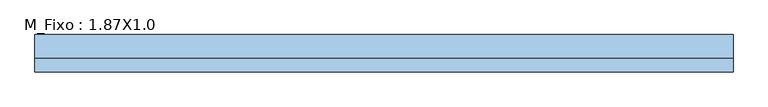
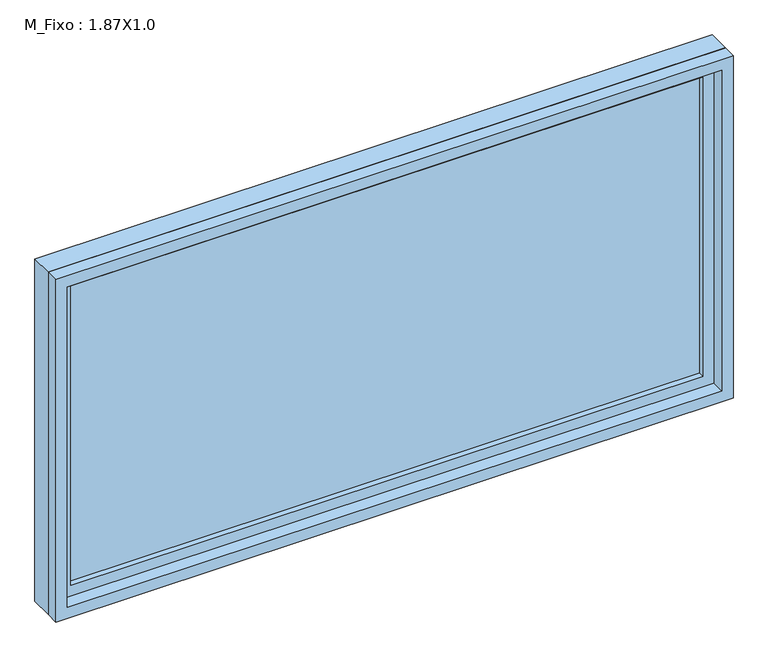
"""IFC4 building model written with IfcOpenShell, lengths in millimetres: window geometry, M_Fixo : 1.87X1.0."""

from ifc_helpers import new_model, si_unit, frame, origin, place, context, project, spatial, polyline, outline, extrude, source, transform, mapped, element, save


def m_fixo_1_87x1_0_b9a0c7d4(model_context):
    return source(origin(), model_context, "Body", "SweptSolid", [
        extrude(outline(polyline([(-872.0, 28.0), (872.0, 28.0), (872.0, 16.0), (-872.0, 16.0), (-872.0, 28.0)])), frame((0.0, 0.0, 1063.0), z_axis=(0.0, 0.0, 1.0), x_axis=(1.0, 0.0, 0.0)), (0.0, 0.0, 1.0), 874.0),
        extrude(outline(polyline([(1981.0, -916.0), (1019.0, -916.0), (1019.0, 916.0), (1981.0, 916.0), (1981.0, -916.0)]), holes=[polyline([(1937.0, -872.0), (1937.0, 872.0), (1063.0, 872.0), (1063.0, -872.0), (1937.0, -872.0)])]), frame((0.0, 0.0, 0.0), z_axis=(0.0, 1.0, 0.0), x_axis=(0.0, 0.0, 1.0)), (0.0, 0.0, 1.0), 44.0),
        extrude(outline(polyline([(2000.0, -935.0), (1000.0, -935.0), (1000.0, 935.0), (2000.0, 935.0), (2000.0, -935.0)]), holes=[polyline([(1981.0, -916.0), (1981.0, 916.0), (1019.0, 916.0), (1019.0, -916.0), (1981.0, -916.0)])]), frame((0.0, 0.0, 0.0), z_axis=(0.0, 1.0, 0.0), x_axis=(0.0, 0.0, 1.0)), (0.0, 0.0, 1.0), 63.0),
        extrude(outline(polyline([(2000.0, -935.0), (1000.0, -935.0), (1000.0, 935.0), (2000.0, 935.0), (2000.0, -935.0)]), holes=[polyline([(1968.0, -903.0), (1968.0, 903.0), (1032.0, 903.0), (1032.0, -903.0), (1968.0, -903.0)])]), frame((0.0, -37.0, 0.0), z_axis=(0.0, 1.0, 0.0), x_axis=(0.0, 0.0, 1.0)), (0.0, 0.0, 1.0), 37.0),
    ])


if __name__ == "__main__":
    model = new_model("IFC4")
    model_context = context("Model", 3, world=origin())
    ifc_project = project(units=[si_unit("LENGTHUNIT", "METRE", prefix="MILLI")], contexts=[model_context])
    site = spatial("IfcSite", under=ifc_project)
    building = spatial("IfcBuilding", under=site)
    placement = place(None, origin())
    m_fixo_1_87x1_0_shape = m_fixo_1_87x1_0_b9a0c7d4(model_context)
    element("IfcWindow", 1, ObjectType="M_Fixo : 1.87X1.0", at=placement, inside=building, context=model_context, shape_type="MappedRepresentation", body=[
        mapped(m_fixo_1_87x1_0_shape, transform((0.0, 0.0, 0.0), x_axis=(1.0, 0.0, 0.0), y_axis=(0.0, 1.0, 0.0), z_axis=(0.0, 0.0, 1.0))),
    ])
    save(model, "model.ifc")
